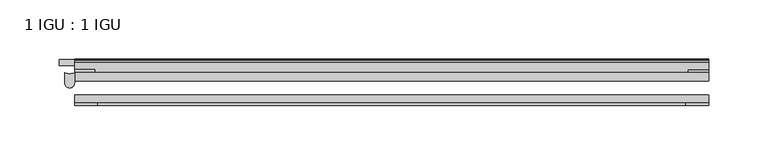
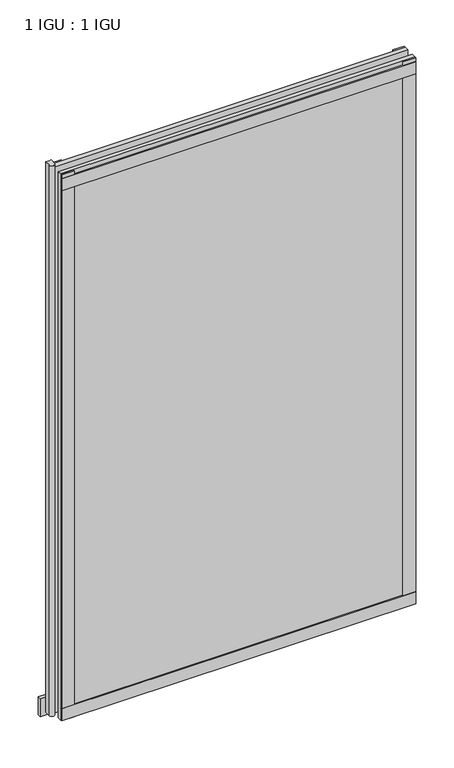
"""IFC4 building model written with IfcOpenShell, lengths in millimetres: plate geometry, 1 IGU : 1 IGU."""

from ifc_helpers import new_model, si_unit, point, frame, frame_2d, origin, place, context, project, spatial, polyline, circle_curve, trimmed, segment, composite_curve, outline, extrude, source, transform, mapped, element, save


def plate_1_igu_1_igu_fecce966(model_context):
    return source(origin(), model_context, "Body", "SweptSolid", [
        extrude(outline(polyline([(266.7, -11.6085937), (266.7, -18.8576359), (-266.7, -18.8576359), (-266.7, -11.6085937), (266.7, -11.6085937)])), frame((0.0, 0.0, -19.05), z_axis=(0.0, 0.0, 1.0), x_axis=(1.0, 0.0, 0.0)), (0.0, 0.0, 1.0), 869.9499998),
        extrude(outline(polyline([(-266.7, -30.7093937), (266.7, -30.7093937), (266.7, -37.0085937), (-266.7, -37.0085937), (-266.7, -30.7093937)])), frame((0.0, 0.0, -19.05), z_axis=(0.0, 0.0, 1.0), x_axis=(1.0, 0.0, 0.0)), (0.0, 0.0, 1.0), 869.9499998),
        extrude(outline(polyline([(-247.65, -5.3578125), (-279.4, -5.3578125), (-279.4, -0.4960938), (-247.65, -0.4960938), (-247.65, -5.3578125)])), frame((0.0, 0.0, -28.575), z_axis=(0.0, 0.0, 1.0), x_axis=(1.0, 0.0, 0.0)), (0.0, 0.0, 1.0), 28.575),
        extrude(outline(composite_curve([segment(trimmed(circle_curve(frame_2d((-270.7937298, -4.9389529)), 7.8257736), [point((-274.8874596, -11.6085937))], [point((-266.7, -11.6085937))], True, "CARTESIAN"), True, "CONTINUOUS"), segment(polyline([(-266.7, -11.6085937), (-266.7, -20.4985937)]), True, "CONTINUOUS"), segment(trimmed(circle_curve(frame_2d((-270.7937298, -20.4985937)), 4.0937298), [point((-266.7, -20.4985937))], [point((-274.8874596, -20.4985937))], False, "CARTESIAN"), True, "CONTINUOUS"), segment(polyline([(-274.8874596, -20.4985937), (-274.8874596, -11.6085937)]), True, "CONTINUOUS")], self_intersect=False)), frame((0.0, 0.0, -19.05), z_axis=(0.0, 0.0, 1.0), x_axis=(1.0, 0.0, 0.0)), (0.0, 0.0, 1.0), 877.0873998),
        extrude(outline(polyline([(-266.7, -39.2945937), (-266.7, -37.0085937), (266.7, -37.0085937), (266.7, -39.2945937), (-266.7, -39.2945937)])), frame((0.0, 0.0, -19.05), z_axis=(0.0, 0.0, 1.0), x_axis=(1.0, 0.0, 0.0)), (0.0, 0.0, 1.0), 19.05),
        extrude(outline(composite_curve([segment(trimmed(circle_curve(frame_2d((-2.5575611, 32.8538976)), 31.3272753), [point((-11.6085937, 2.8626158))], [point((-2.2024699, 1.5286348))], True, "CARTESIAN"), True, "CONTINUOUS"), segment(polyline([(-2.2024699, 1.5286348), (-2.2024699, 0.0), (-5.2585937, 0.0), (-5.2585937, -5.2345509), (-3.3544944, -5.5797863), (-5.2585937, -8.255), (-5.2585937, -11.471876)]), True, "CONTINUOUS"), segment(trimmed(circle_curve(frame_2d((-6.5285937, -11.471876)), 1.27), [point((-5.2585937, -11.471876))], [point((-7.4547667, -12.340843))], False, "CARTESIAN"), True, "CONTINUOUS"), segment(polyline([(-7.4547667, -12.340843), (-11.6085937, -7.9135609), (-11.6085937, 2.8626158)]), True, "CONTINUOUS")], self_intersect=False)), frame((-266.7, 0.0, 0.0), z_axis=(1.0, 0.0, 0.0), x_axis=(0.0, 1.0, 0.0)), (0.0, 0.0, 1.0), 533.4),
        extrude(outline(composite_curve([segment(polyline([(-3.0995937, 840.8194211), (-3.0995937, 838.7874211), (-5.2585937, 838.7874211), (-5.2585937, 833.4534211), (-1.5755937, 833.4534211), (-1.5755937, 830.4054211), (-5.2585937, 830.4054211), (-5.2585937, 825.5794211), (-0.5298657, 826.2440005), (-0.4061408, 825.3636522)]), True, "CONTINUOUS"), segment(trimmed(circle_curve(frame_2d((-1.4122531, 825.2222523)), 1.016), [point((-0.4061408, 825.3636522))], [point((-1.2708533, 824.21614))], False, "CARTESIAN"), True, "CONTINUOUS"), segment(polyline([(-1.2708533, 824.21614), (-11.6085937, 822.7632653), (-11.6085937, 840.8194211), (-3.0995937, 840.8194211)]), True, "CONTINUOUS")], self_intersect=False)), frame((-266.7, 0.0, 0.0), z_axis=(1.0, 0.0, 0.0), x_axis=(0.0, 1.0, 0.0)), (0.0, 0.0, 1.0), 533.4),
        extrude(outline(polyline([(-266.7, -39.2945937), (-266.7, -37.0085937), (266.7, -37.0085937), (266.7, -39.2945937), (-266.7, -39.2945937)])), frame((0.0, 0.0, 825.4999998), z_axis=(0.0, 0.0, 1.0), x_axis=(1.0, 0.0, 0.0)), (0.0, 0.0, 1.0), 19.05),
        extrude(outline(polyline([(247.65, -37.0085937), (266.7, -37.0085937), (266.7, -39.2945938), (247.65, -39.2945938), (247.65, -37.0085937)])), frame((0.0, 0.0, -19.05), z_axis=(0.0, 0.0, 1.0), x_axis=(1.0, 0.0, 0.0)), (0.0, 0.0, 1.0), 869.9499998),
        extrude(outline(polyline([(266.7, -9.3247196), (266.7, -11.6085937), (249.6185, -11.6085937), (249.6185, -9.3247196), (266.7, -9.3247196)])), frame((0.0, 0.0, -19.05), z_axis=(0.0, 0.0, 1.0), x_axis=(1.0, 0.0, 0.0)), (0.0, 0.0, 1.0), 869.9499998),
        extrude(outline(polyline([(-266.7, -39.2945937), (-266.7, -37.0085937), (-247.65, -37.0085937), (-247.65, -39.2945937), (-266.7, -39.2945937)])), frame((0.0, 0.0, -19.05), z_axis=(0.0, 0.0, 1.0), x_axis=(1.0, 0.0, 0.0)), (0.0, 0.0, 1.0), 869.9499998),
        extrude(outline(polyline([(-266.7, -11.6107196), (-266.7, -9.2273437), (-249.6185, -9.2273437), (-249.6185, -11.6107196), (-266.7, -11.6107196)])), frame((0.0, 0.0, -19.05), z_axis=(0.0, 0.0, 1.0), x_axis=(1.0, 0.0, 0.0)), (0.0, 0.0, 1.0), 869.9499998),
    ])


if __name__ == "__main__":
    model = new_model("IFC4")
    model_context = context("Model", 3, world=origin())
    ifc_project = project(units=[si_unit("LENGTHUNIT", "METRE", prefix="MILLI")], contexts=[model_context])
    site = spatial("IfcSite", under=ifc_project)
    building = spatial("IfcBuilding", under=site)
    placement = place(None, origin())
    plate_1_igu_1_igu_shape = plate_1_igu_1_igu_fecce966(model_context)
    element("IfcPlate", 1, ObjectType="1 IGU : 1 IGU", at=placement, inside=building, context=model_context, shape_type="MappedRepresentation", body=[
        mapped(plate_1_igu_1_igu_shape, transform((0.0, 0.0, 0.0), x_axis=(1.0, 0.0, 0.0), y_axis=(0.0, 1.0, 0.0), z_axis=(0.0, 0.0, 1.0))),
    ])
    save(model, "model.ifc")
